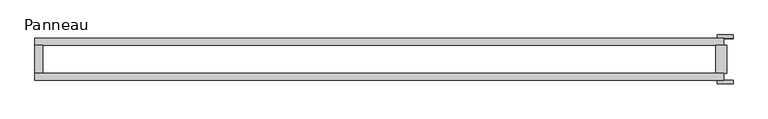
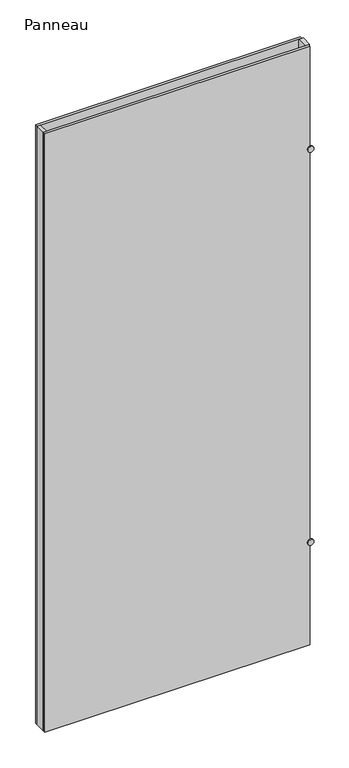
"""IFC4 building model written with IfcOpenShell, lengths in millimetres: plate geometry, Panneau."""

from ifc_helpers import new_model, si_unit, point, frame, frame_2d, origin, origin_with_axes, place, context, project, spatial, polyline, circle_curve, trimmed, segment, composite_curve, outline, extrude, source, transform, mapped, element, save


def panneau_40cd7bfe(model_context):
    return source(origin(), model_context, "Body", "SweptSolid", [
        extrude(outline(polyline([(607.6250001, -37.2), (-613.6250001, -37.2), (-613.6250001, -25.2), (607.6250001, -25.2), (607.6250001, -37.2)])), origin_with_axes(), (0.0, 0.0, 1.0), 2915.0),
        extrude(outline(composite_curve([segment(trimmed(circle_curve(frame_2d((500.0, 610.6250001)), 14.0), [point((500.0, 596.6250001))], [point((500.0, 624.6250001))], False, "CARTESIAN"), True, "CONTINUOUS"), segment(trimmed(circle_curve(frame_2d((500.0, 610.6250001)), 14.0), [point((500.0, 624.6250001))], [point((500.0, 596.6250001))], False, "CARTESIAN"), True, "CONTINUOUS")], self_intersect=False)), frame((0.0, 37.2, 0.0), z_axis=(0.0, 1.0, 0.0), x_axis=(0.0, 0.0, 1.0)), (0.0, 0.0, 1.0), 6.0),
        extrude(outline(composite_curve([segment(trimmed(circle_curve(frame_2d((2415.0, 610.6250001)), 14.0), [point((2415.0, 596.6250001))], [point((2415.0, 624.6250001))], False, "CARTESIAN"), True, "CONTINUOUS"), segment(trimmed(circle_curve(frame_2d((2415.0, 610.6250001)), 14.0), [point((2415.0, 624.6250001))], [point((2415.0, 596.6250001))], False, "CARTESIAN"), True, "CONTINUOUS")], self_intersect=False)), frame((0.0, 37.2, 0.0), z_axis=(0.0, 1.0, 0.0), x_axis=(0.0, 0.0, 1.0)), (0.0, 0.0, 1.0), 6.0),
        extrude(outline(composite_curve([segment(trimmed(circle_curve(frame_2d((2415.0, 610.6250001)), 14.0), [point((2415.0, 596.6250001))], [point((2415.0, 624.6250001))], False, "CARTESIAN"), True, "CONTINUOUS"), segment(trimmed(circle_curve(frame_2d((2415.0, 610.6250001)), 14.0), [point((2415.0, 624.6250001))], [point((2415.0, 596.6250001))], False, "CARTESIAN"), True, "CONTINUOUS")], self_intersect=False)), frame((0.0, -43.2, 0.0), z_axis=(0.0, 1.0, 0.0), x_axis=(0.0, 0.0, 1.0)), (0.0, 0.0, 1.0), 6.0),
        extrude(outline(composite_curve([segment(trimmed(circle_curve(frame_2d((500.0, 610.6250001)), 14.0), [point((500.0, 596.6250001))], [point((500.0, 624.6250001))], False, "CARTESIAN"), True, "CONTINUOUS"), segment(trimmed(circle_curve(frame_2d((500.0, 610.6250001)), 14.0), [point((500.0, 624.6250001))], [point((500.0, 596.6250001))], False, "CARTESIAN"), True, "CONTINUOUS")], self_intersect=False)), frame((0.0, -43.2, 0.0), z_axis=(0.0, 1.0, 0.0), x_axis=(0.0, 0.0, 1.0)), (0.0, 0.0, 1.0), 6.0),
        extrude(outline(polyline([(-599.6250001, 25.2), (-599.6250001, -25.2), (-613.6250001, -25.2), (-613.6250001, 25.2), (-599.6250001, 25.2)])), origin_with_axes(), (0.0, 0.0, 1.0), 2915.0),
        extrude(outline(polyline([(613.6250001, 25.2), (613.6250001, -25.2), (593.6250001, -25.2), (593.6250001, 25.2), (613.6250001, 25.2)])), origin_with_axes(), (0.0, 0.0, 1.0), 2915.0),
        extrude(outline(polyline([(607.6250001, 25.2), (-613.6250001, 25.2), (-613.6250001, 37.2), (607.6250001, 37.2), (607.6250001, 25.2)])), origin_with_axes(), (0.0, 0.0, 1.0), 2915.0),
    ])


if __name__ == "__main__":
    model = new_model("IFC4")
    model_context = context("Model", 3, world=origin())
    ifc_project = project(units=[si_unit("LENGTHUNIT", "METRE", prefix="MILLI")], contexts=[model_context])
    site = spatial("IfcSite", under=ifc_project)
    building = spatial("IfcBuilding", under=site)
    placement = place(None, origin())
    panneau_shape = panneau_40cd7bfe(model_context)
    element("IfcPlate", 1, ObjectType="Panneau", at=placement, inside=building, context=model_context, shape_type="MappedRepresentation", body=[
        mapped(panneau_shape, transform((0.0, 0.0, 0.0), x_axis=(1.0, 0.0, 0.0), y_axis=(0.0, 1.0, 0.0), z_axis=(0.0, 0.0, 1.0))),
    ])
    save(model, "model.ifc")
